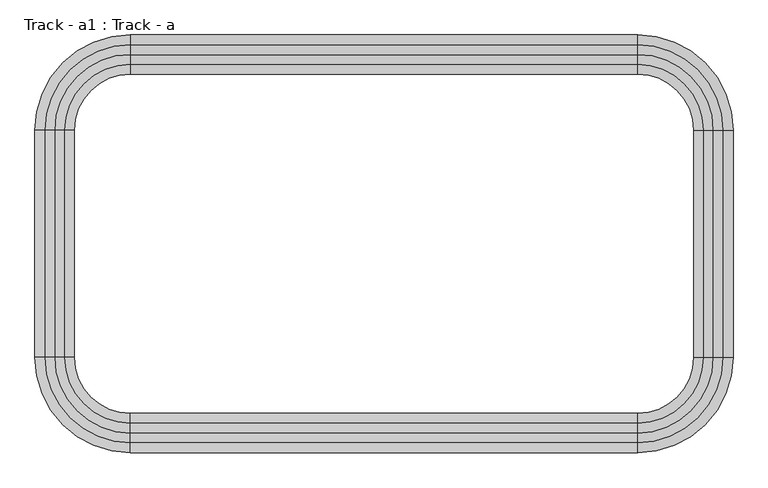
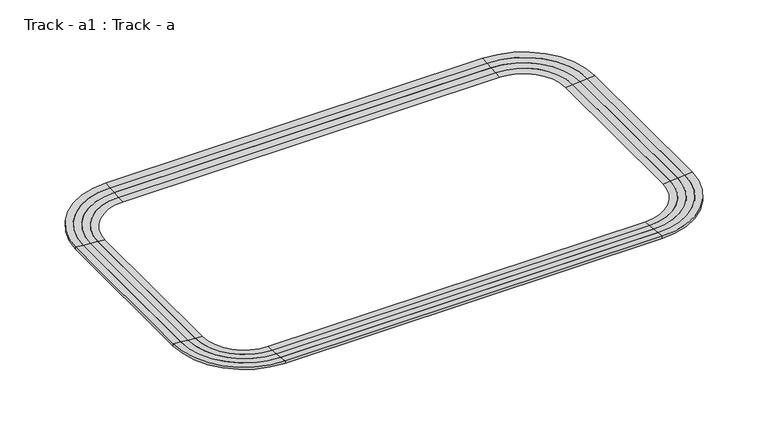
"""IFC4 building model written with IfcOpenShell, lengths in millimetres: proxy geometry, Track - a1 : Track - a."""

from ifc_helpers import new_model, si_unit, frame, origin, place, context, project, spatial, polyline, circle_curve, source, transform, mapped, element, save
from ifc_brep_helpers import plane_surface, cylinder_surface, revolved_surface, advanced_brep


def track_a1_track_a_e5af6ace(model_context):
    return source(origin(), model_context, "Body", "AdvancedBrep", [
        advanced_brep(
        [(468472.6254676, -273685.8080223, 4775.2), (458109.4254676, -263322.6080223, 4775.2), (458109.4254676, -264389.4080223, 4686.3), (467405.8254676, -273685.8080223, 4686.3), (468472.6254676, -273685.8080223, 4419.6), (458109.4254676, -263322.6080223, 4419.6), (458109.4254676, -264389.4080223, 4419.6), (467405.8254676, -273685.8080223, 4419.6), (467405.8254676, -298374.6080223, 4686.3), (468472.6254676, -298374.6080223, 4775.2), (468472.6254676, -298374.6080223, 4419.6), (467405.8254676, -298374.6080223, 4419.6), (458109.4254676, -308737.8080223, 4775.2), (458109.4254676, -307671.0080223, 4686.3), (458109.4254676, -308737.8080223, 4419.6), (458109.4254676, -307671.0080223, 4419.6), (402940.6254676, -307671.0080223, 4686.3), (402940.6254676, -308737.8080223, 4775.2), (402940.6254676, -308737.8080223, 4419.6), (402940.6254676, -307671.0080223, 4419.6), (392577.4254676, -298374.6080223, 4775.2), (393644.2254676, -298374.6080223, 4686.3), (392577.4254676, -298374.6080223, 4419.6), (393644.2254676, -298374.6080223, 4419.6), (393644.2254676, -273685.8080223, 4686.3), (392577.4254676, -273685.8080223, 4775.2), (392577.4254676, -273685.8080223, 4419.6), (393644.2254676, -273685.8080223, 4419.6), (402940.6254676, -263322.6080223, 4775.2), (402940.6254676, -264389.4080223, 4686.3), (402940.6254676, -263322.6080223, 4419.6), (402940.6254676, -264389.4080223, 4419.6)],
        [
            (0, 1, circle_curve(frame((458109.4254676, -273685.8080223, 4775.2), z_axis=(0.0, 0.0, 1.0), x_axis=(0.0, 1.0, 0.0)), 10363.2)),
            (1, 2),
            (2, 3, circle_curve(frame((458109.4254676, -273685.8080223, 4686.3), z_axis=(0.0, 0.0, -1.0), x_axis=(0.0, 1.0, 0.0)), 9296.4)),
            (3, 0),
            (4, 5, circle_curve(frame((458109.4254676, -273685.8080223, 4419.6), z_axis=(0.0, 0.0, 1.0), x_axis=(0.0, 1.0, 0.0)), 10363.2)),
            (5, 1),
            (0, 4),
            (2, 6),
            (6, 7, circle_curve(frame((458109.4254676, -273685.8080223, 4419.6), z_axis=(0.0, 0.0, -1.0), x_axis=(0.0, 1.0, 0.0)), 9296.4)),
            (7, 3),
            (3, 8),
            (8, 9),
            (9, 0),
            (9, 10),
            (10, 4),
            (7, 11),
            (11, 8),
            (12, 9, circle_curve(frame((458109.4254676, -298374.6080223, 4775.2), z_axis=(0.0, 0.0, 1.0), x_axis=(1.0, 0.0, 0.0)), 10363.2)),
            (8, 13, circle_curve(frame((458109.4254676, -298374.6080223, 4686.3), z_axis=(0.0, 0.0, -1.0), x_axis=(1.0, 0.0, 0.0)), 9296.4)),
            (13, 12),
            (14, 10, circle_curve(frame((458109.4254676, -298374.6080223, 4419.6), z_axis=(0.0, 0.0, 1.0), x_axis=(1.0, 0.0, 0.0)), 10363.2)),
            (12, 14),
            (11, 15, circle_curve(frame((458109.4254676, -298374.6080223, 4419.6), z_axis=(0.0, 0.0, -1.0), x_axis=(1.0, 0.0, 0.0)), 9296.4)),
            (15, 13),
            (13, 16),
            (16, 17),
            (17, 12),
            (17, 18),
            (18, 14),
            (15, 19),
            (19, 16),
            (20, 17, circle_curve(frame((402940.6254676, -298374.6080223, 4775.2), z_axis=(0.0, 0.0, 1.0), x_axis=(0.0, -1.0, 0.0)), 10363.2)),
            (16, 21, circle_curve(frame((402940.6254676, -298374.6080223, 4686.3), z_axis=(0.0, 0.0, -1.0), x_axis=(0.0, -1.0, 0.0)), 9296.4)),
            (21, 20),
            (22, 18, circle_curve(frame((402940.6254676, -298374.6080223, 4419.6), z_axis=(0.0, 0.0, 1.0), x_axis=(0.0, -1.0, 0.0)), 10363.2)),
            (20, 22),
            (19, 23, circle_curve(frame((402940.6254676, -298374.6080223, 4419.6), z_axis=(0.0, 0.0, -1.0), x_axis=(0.0, -1.0, 0.0)), 9296.4)),
            (23, 21),
            (21, 24),
            (24, 25),
            (25, 20),
            (25, 26),
            (26, 22),
            (23, 27),
            (27, 24),
            (28, 25, circle_curve(frame((402940.6254676, -273685.8080223, 4775.2), z_axis=(0.0, 0.0, 1.0), x_axis=(-1.0, 0.0, 0.0)), 10363.2)),
            (24, 29, circle_curve(frame((402940.6254676, -273685.8080223, 4686.3), z_axis=(0.0, 0.0, -1.0), x_axis=(-1.0, 0.0, 0.0)), 9296.4)),
            (29, 28),
            (30, 26, circle_curve(frame((402940.6254676, -273685.8080223, 4419.6), z_axis=(0.0, 0.0, 1.0), x_axis=(-1.0, 0.0, 0.0)), 10363.2)),
            (28, 30),
            (27, 31, circle_curve(frame((402940.6254676, -273685.8080223, 4419.6), z_axis=(0.0, 0.0, -1.0), x_axis=(-1.0, 0.0, 0.0)), 9296.4)),
            (31, 29),
            (29, 2),
            (1, 28),
            (5, 30),
            (6, 31),
        ],
        [
            revolved_surface(polyline([(458109.4254676, -264389.4080223, 4686.3), (458109.4254676, -263322.6080223, 4775.2)]), (458109.4254676, -273685.8080223, 0.0), (0.0, 0.0, -1.0)),
            cylinder_surface(frame((458109.4254676, -273685.8080223, 0.0), z_axis=(0.0, 0.0, -1.0), x_axis=(0.0, 1.0, 0.0)), 10363.2),
            revolved_surface(polyline([(458109.4254676, -264389.4080223, 4419.6), (458109.4254676, -264389.4080223, 4686.3)]), (458109.4254676, -273685.8080223, 0.0), (0.0, 0.0, -1.0)),
            plane_surface(frame((467405.8254676, -273685.8080223, 4686.3), z_axis=(-0.08304547985373159, 0.0, 0.9965457582448803), x_axis=(0.0, -1.0, 0.0))),
            plane_surface(frame((468472.6254676, -273685.8080223, 4775.2), z_axis=(1.0, 0.0, 0.0), x_axis=(0.0, -1.0, 0.0))),
            plane_surface(frame((467405.8254676, -273685.8080223, 4419.6), z_axis=(-1.0, 0.0, 0.0), x_axis=(0.0, -1.0, 0.0))),
            revolved_surface(polyline([(467405.8254676, -298374.6080223, 4686.3), (468472.6254676, -298374.6080223, 4775.2)]), (458109.4254676, -298374.6080223, 0.0), (0.0, 0.0, -1.0)),
            cylinder_surface(frame((458109.4254676, -298374.6080223, 0.0), z_axis=(0.0, 0.0, -1.0), x_axis=(1.0, 0.0, 0.0)), 10363.2),
            revolved_surface(polyline([(467405.8254676, -298374.6080223, 4419.6), (467405.8254676, -298374.6080223, 4686.3)]), (458109.4254676, -298374.6080223, 0.0), (0.0, 0.0, -1.0)),
            plane_surface(frame((458109.4254676, -307671.0080223, 4686.3), z_axis=(0.0, 0.08304547985373159, 0.9965457582448803), x_axis=(-1.0, 0.0, 0.0))),
            plane_surface(frame((458109.4254676, -308737.8080223, 4775.2), z_axis=(0.0, -1.0, 0.0), x_axis=(-1.0, 0.0, 0.0))),
            plane_surface(frame((458109.4254676, -307671.0080223, 4419.6), z_axis=(0.0, 1.0, 0.0), x_axis=(-1.0, 0.0, 0.0))),
            revolved_surface(polyline([(402940.6254676, -307671.0080223, 4686.3), (402940.6254676, -308737.8080223, 4775.2)]), (402940.6254676, -298374.6080223, 0.0), (0.0, 0.0, -1.0)),
            cylinder_surface(frame((402940.6254676, -298374.6080223, 0.0), z_axis=(0.0, 0.0, -1.0), x_axis=(0.0, -1.0, 0.0)), 10363.2),
            revolved_surface(polyline([(402940.6254676, -307671.0080223, 4419.6), (402940.6254676, -307671.0080223, 4686.3)]), (402940.6254676, -298374.6080223, 0.0), (0.0, 0.0, -1.0)),
            plane_surface(frame((393644.2254676, -298374.6080223, 4686.3), z_axis=(0.08304547985373159, 0.0, 0.9965457582448803), x_axis=(0.0, 1.0, 0.0))),
            plane_surface(frame((392577.4254676, -298374.6080223, 4775.2), z_axis=(-1.0, 0.0, 0.0), x_axis=(0.0, 1.0, 0.0))),
            plane_surface(frame((393644.2254676, -298374.6080223, 4419.6), z_axis=(1.0, 0.0, 0.0), x_axis=(0.0, 1.0, 0.0))),
            revolved_surface(polyline([(393644.2254676, -273685.8080223, 4686.3), (392577.4254676, -273685.8080223, 4775.2)]), (402940.6254676, -273685.8080223, 0.0), (0.0, 0.0, -1.0)),
            cylinder_surface(frame((402940.6254676, -273685.8080223, 0.0), z_axis=(0.0, 0.0, -1.0), x_axis=(-1.0, 0.0, 0.0)), 10363.2),
            revolved_surface(polyline([(393644.2254676, -273685.8080223, 4419.6), (393644.2254676, -273685.8080223, 4686.3)]), (402940.6254676, -273685.8080223, 0.0), (0.0, 0.0, -1.0)),
            plane_surface(frame((402940.6254676, -264389.4080223, 4686.3), z_axis=(0.0, -0.08304547985373159, 0.9965457582448803), x_axis=(1.0, 0.0, 0.0))),
            plane_surface(frame((402940.6254676, -263322.6080223, 4775.2), z_axis=(0.0, 1.0, 0.0), x_axis=(1.0, 0.0, 0.0))),
            plane_surface(frame((402940.6254676, -263322.6080223, 4419.6), z_axis=(0.0, 0.0, -1.0), x_axis=(1.0, 0.0, 0.0))),
            plane_surface(frame((402940.6254676, -264389.4080223, 4419.6), z_axis=(0.0, -1.0, 0.0), x_axis=(1.0, 0.0, 0.0))),
        ],
        [
            (0, [[1, 2, 3, 4]]),
            (1, [[5, 6, -1, 7]]),
            (2, [[-3, 8, 9, 10]]),
            (3, [[-4, 11, 12, 13]]),
            (4, [[-7, -13, 14, 15]]),
            (5, [[-10, 16, 17, -11]]),
            (6, [[18, -12, 19, 20]]),
            (7, [[21, -14, -18, 22]]),
            (8, [[-19, -17, 23, 24]]),
            (9, [[-20, 25, 26, 27]]),
            (10, [[-22, -27, 28, 29]]),
            (11, [[-24, 30, 31, -25]]),
            (12, [[32, -26, 33, 34]]),
            (13, [[35, -28, -32, 36]]),
            (14, [[-33, -31, 37, 38]]),
            (15, [[-34, 39, 40, 41]]),
            (16, [[-36, -41, 42, 43]]),
            (17, [[-38, 44, 45, -39]]),
            (18, [[46, -40, 47, 48]]),
            (19, [[49, -42, -46, 50]]),
            (20, [[-47, -45, 51, 52]]),
            (21, [[-48, 53, -2, 54]]),
            (22, [[-50, -54, -6, 55]]),
            (23, [[-43, -49, -55, -5, -15, -21, -29, -35], [56, -51, -44, -37, -30, -23, -16, -9]]),
            (24, [[-52, -56, -8, -53]]),
        ],
    ),
        advanced_brep(
        [(467405.8254676, -273685.8080223, 4686.3), (458109.4254676, -264389.4080223, 4686.3), (458109.4254676, -265456.2080223, 4597.4), (466339.0254676, -273685.8080223, 4597.4), (467405.8254676, -273685.8080223, 4419.6), (458109.4254676, -264389.4080223, 4419.6), (458109.4254676, -265456.2080223, 4419.6), (466339.0254676, -273685.8080223, 4419.6), (466339.0254676, -298374.6080223, 4597.4), (467405.8254676, -298374.6080223, 4686.3), (467405.8254676, -298374.6080223, 4419.6), (466339.0254676, -298374.6080223, 4419.6), (458109.4254676, -307671.0080223, 4686.3), (458109.4254676, -306604.2080223, 4597.4), (458109.4254676, -307671.0080223, 4419.6), (458109.4254676, -306604.2080223, 4419.6), (402940.6254676, -306604.2080223, 4597.4), (402940.6254676, -307671.0080223, 4686.3), (402940.6254676, -307671.0080223, 4419.6), (402940.6254676, -306604.2080223, 4419.6), (393644.2254676, -298374.6080223, 4686.3), (394711.0254676, -298374.6080223, 4597.4), (393644.2254676, -298374.6080223, 4419.6), (394711.0254676, -298374.6080223, 4419.6), (394711.0254676, -273685.8080223, 4597.4), (393644.2254676, -273685.8080223, 4686.3), (393644.2254676, -273685.8080223, 4419.6), (394711.0254676, -273685.8080223, 4419.6), (402940.6254676, -264389.4080223, 4686.3), (402940.6254676, -265456.2080223, 4597.4), (402940.6254676, -264389.4080223, 4419.6), (402940.6254676, -265456.2080223, 4419.6)],
        [
            (0, 1, circle_curve(frame((458109.4254676, -273685.8080223, 4686.3), z_axis=(0.0, 0.0, 1.0), x_axis=(0.0, 1.0, 0.0)), 9296.4)),
            (1, 2),
            (2, 3, circle_curve(frame((458109.4254676, -273685.8080223, 4597.4), z_axis=(0.0, 0.0, -1.0), x_axis=(0.0, 1.0, 0.0)), 8229.6)),
            (3, 0),
            (4, 5, circle_curve(frame((458109.4254676, -273685.8080223, 4419.6), z_axis=(0.0, 0.0, 1.0), x_axis=(0.0, 1.0, 0.0)), 9296.4)),
            (5, 1),
            (0, 4),
            (2, 6),
            (6, 7, circle_curve(frame((458109.4254676, -273685.8080223, 4419.6), z_axis=(0.0, 0.0, -1.0), x_axis=(0.0, 1.0, 0.0)), 8229.6)),
            (7, 3),
            (3, 8),
            (8, 9),
            (9, 0),
            (9, 10),
            (10, 4),
            (7, 11),
            (11, 8),
            (12, 9, circle_curve(frame((458109.4254676, -298374.6080223, 4686.3), z_axis=(0.0, 0.0, 1.0), x_axis=(1.0, 0.0, 0.0)), 9296.4)),
            (8, 13, circle_curve(frame((458109.4254676, -298374.6080223, 4597.4), z_axis=(0.0, 0.0, -1.0), x_axis=(1.0, 0.0, 0.0)), 8229.6)),
            (13, 12),
            (14, 10, circle_curve(frame((458109.4254676, -298374.6080223, 4419.6), z_axis=(0.0, 0.0, 1.0), x_axis=(1.0, 0.0, 0.0)), 9296.4)),
            (12, 14),
            (11, 15, circle_curve(frame((458109.4254676, -298374.6080223, 4419.6), z_axis=(0.0, 0.0, -1.0), x_axis=(1.0, 0.0, 0.0)), 8229.6)),
            (15, 13),
            (13, 16),
            (16, 17),
            (17, 12),
            (17, 18),
            (18, 14),
            (15, 19),
            (19, 16),
            (20, 17, circle_curve(frame((402940.6254676, -298374.6080223, 4686.3), z_axis=(0.0, 0.0, 1.0), x_axis=(0.0, -1.0, 0.0)), 9296.4)),
            (16, 21, circle_curve(frame((402940.6254676, -298374.6080223, 4597.4), z_axis=(0.0, 0.0, -1.0), x_axis=(0.0, -1.0, 0.0)), 8229.6)),
            (21, 20),
            (22, 18, circle_curve(frame((402940.6254676, -298374.6080223, 4419.6), z_axis=(0.0, 0.0, 1.0), x_axis=(0.0, -1.0, 0.0)), 9296.4)),
            (20, 22),
            (19, 23, circle_curve(frame((402940.6254676, -298374.6080223, 4419.6), z_axis=(0.0, 0.0, -1.0), x_axis=(0.0, -1.0, 0.0)), 8229.6)),
            (23, 21),
            (21, 24),
            (24, 25),
            (25, 20),
            (25, 26),
            (26, 22),
            (23, 27),
            (27, 24),
            (28, 25, circle_curve(frame((402940.6254676, -273685.8080223, 4686.3), z_axis=(0.0, 0.0, 1.0), x_axis=(-1.0, 0.0, 0.0)), 9296.4)),
            (24, 29, circle_curve(frame((402940.6254676, -273685.8080223, 4597.4), z_axis=(0.0, 0.0, -1.0), x_axis=(-1.0, 0.0, 0.0)), 8229.6)),
            (29, 28),
            (30, 26, circle_curve(frame((402940.6254676, -273685.8080223, 4419.6), z_axis=(0.0, 0.0, 1.0), x_axis=(-1.0, 0.0, 0.0)), 9296.4)),
            (28, 30),
            (27, 31, circle_curve(frame((402940.6254676, -273685.8080223, 4419.6), z_axis=(0.0, 0.0, -1.0), x_axis=(-1.0, 0.0, 0.0)), 8229.6)),
            (31, 29),
            (29, 2),
            (1, 28),
            (5, 30),
            (6, 31),
        ],
        [
            revolved_surface(polyline([(458109.4254676, -265456.2080223, 4597.4), (458109.4254676, -264389.4080223, 4686.3)]), (458109.4254676, -273685.8080223, 0.0), (0.0, 0.0, -1.0)),
            cylinder_surface(frame((458109.4254676, -273685.8080223, 0.0), z_axis=(0.0, 0.0, -1.0), x_axis=(0.0, 1.0, 0.0)), 9296.4),
            revolved_surface(polyline([(458109.4254676, -265456.20802230004, 4419.6), (458109.4254676, -265456.20802230004, 4597.4)]), (458109.4254676, -273685.8080223, 0.0), (0.0, 0.0, -1.0)),
            plane_surface(frame((466339.0254676, -273685.8080223, 4597.4), z_axis=(-0.08304547985373473, 0.0, 0.9965457582448801), x_axis=(0.0, -1.0, 0.0))),
            plane_surface(frame((467405.8254676, -273685.8080223, 4686.3), z_axis=(1.0, 0.0, 0.0), x_axis=(0.0, -1.0, 0.0))),
            plane_surface(frame((466339.0254676, -273685.8080223, 4419.6), z_axis=(-1.0, 0.0, 0.0), x_axis=(0.0, -1.0, 0.0))),
            revolved_surface(polyline([(466339.0254676, -298374.6080223, 4597.4), (467405.8254676, -298374.6080223, 4686.3)]), (458109.4254676, -298374.6080223, 0.0), (0.0, 0.0, -1.0)),
            cylinder_surface(frame((458109.4254676, -298374.6080223, 0.0), z_axis=(0.0, 0.0, -1.0), x_axis=(1.0, 0.0, 0.0)), 9296.4),
            revolved_surface(polyline([(466339.0254676, -298374.6080223, 4419.6), (466339.0254676, -298374.6080223, 4597.4)]), (458109.4254676, -298374.6080223, 0.0), (0.0, 0.0, -1.0)),
            plane_surface(frame((458109.4254676, -306604.2080223, 4597.4), z_axis=(0.0, 0.08304547985373473, 0.9965457582448801), x_axis=(-1.0, 0.0, 0.0))),
            plane_surface(frame((458109.4254676, -307671.0080223, 4686.3), z_axis=(0.0, -1.0, 0.0), x_axis=(-1.0, 0.0, 0.0))),
            plane_surface(frame((458109.4254676, -306604.2080223, 4419.6), z_axis=(0.0, 1.0, 0.0), x_axis=(-1.0, 0.0, 0.0))),
            revolved_surface(polyline([(402940.6254676, -306604.2080223, 4597.4), (402940.6254676, -307671.0080223, 4686.3)]), (402940.6254676, -298374.6080223, 0.0), (0.0, 0.0, -1.0)),
            cylinder_surface(frame((402940.6254676, -298374.6080223, 0.0), z_axis=(0.0, 0.0, -1.0), x_axis=(0.0, -1.0, 0.0)), 9296.4),
            revolved_surface(polyline([(402940.6254676, -306604.2080223, 4419.6), (402940.6254676, -306604.2080223, 4597.4)]), (402940.6254676, -298374.6080223, 0.0), (0.0, 0.0, -1.0)),
            plane_surface(frame((394711.0254676, -298374.6080223, 4597.4), z_axis=(0.08304547985373473, 0.0, 0.9965457582448801), x_axis=(0.0, 1.0, 0.0))),
            plane_surface(frame((393644.2254676, -298374.6080223, 4686.3), z_axis=(-1.0, 0.0, 0.0), x_axis=(0.0, 1.0, 0.0))),
            plane_surface(frame((394711.0254676, -298374.6080223, 4419.6), z_axis=(1.0, 0.0, 0.0), x_axis=(0.0, 1.0, 0.0))),
            revolved_surface(polyline([(394711.0254676, -273685.8080223, 4597.4), (393644.2254676, -273685.8080223, 4686.3)]), (402940.6254676, -273685.8080223, 0.0), (0.0, 0.0, -1.0)),
            cylinder_surface(frame((402940.6254676, -273685.8080223, 0.0), z_axis=(0.0, 0.0, -1.0), x_axis=(-1.0, 0.0, 0.0)), 9296.4),
            revolved_surface(polyline([(394711.02546760003, -273685.8080223, 4419.6), (394711.02546760003, -273685.8080223, 4597.4)]), (402940.6254676, -273685.8080223, 0.0), (0.0, 0.0, -1.0)),
            plane_surface(frame((402940.6254676, -265456.2080223, 4597.4), z_axis=(0.0, -0.08304547985373473, 0.9965457582448801), x_axis=(1.0, 0.0, 0.0))),
            plane_surface(frame((402940.6254676, -264389.4080223, 4686.3), z_axis=(0.0, 1.0, 0.0), x_axis=(1.0, 0.0, 0.0))),
            plane_surface(frame((402940.6254676, -264389.4080223, 4419.6), z_axis=(0.0, 0.0, -1.0), x_axis=(1.0, 0.0, 0.0))),
            plane_surface(frame((402940.6254676, -265456.2080223, 4419.6), z_axis=(0.0, -1.0, 0.0), x_axis=(1.0, 0.0, 0.0))),
        ],
        [
            (0, [[1, 2, 3, 4]]),
            (1, [[5, 6, -1, 7]]),
            (2, [[-3, 8, 9, 10]]),
            (3, [[-4, 11, 12, 13]]),
            (4, [[-7, -13, 14, 15]]),
            (5, [[-10, 16, 17, -11]]),
            (6, [[18, -12, 19, 20]]),
            (7, [[21, -14, -18, 22]]),
            (8, [[-19, -17, 23, 24]]),
            (9, [[-20, 25, 26, 27]]),
            (10, [[-22, -27, 28, 29]]),
            (11, [[-24, 30, 31, -25]]),
            (12, [[32, -26, 33, 34]]),
            (13, [[35, -28, -32, 36]]),
            (14, [[-33, -31, 37, 38]]),
            (15, [[-34, 39, 40, 41]]),
            (16, [[-36, -41, 42, 43]]),
            (17, [[-38, 44, 45, -39]]),
            (18, [[46, -40, 47, 48]]),
            (19, [[49, -42, -46, 50]]),
            (20, [[-47, -45, 51, 52]]),
            (21, [[-48, 53, -2, 54]]),
            (22, [[-50, -54, -6, 55]]),
            (23, [[-43, -49, -55, -5, -15, -21, -29, -35], [56, -51, -44, -37, -30, -23, -16, -9]]),
            (24, [[-52, -56, -8, -53]]),
        ],
    ),
        advanced_brep(
        [(466339.0254676, -273685.8080223, 4597.4), (458109.4254676, -265456.2080223, 4597.4), (458109.4254676, -266523.0080223, 4508.5), (465272.2254676, -273685.8080223, 4508.5), (466339.0254676, -273685.8080223, 4419.6), (458109.4254676, -265456.2080223, 4419.6), (458109.4254676, -266523.0080223, 4419.6), (465272.2254676, -273685.8080223, 4419.6), (465272.2254676, -298374.6080223, 4508.5), (466339.0254676, -298374.6080223, 4597.4), (466339.0254676, -298374.6080223, 4419.6), (465272.2254676, -298374.6080223, 4419.6), (458109.4254676, -306604.2080223, 4597.4), (458109.4254676, -305537.4080223, 4508.5), (458109.4254676, -306604.2080223, 4419.6), (458109.4254676, -305537.4080223, 4419.6), (402940.6254676, -305537.4080223, 4508.5), (402940.6254676, -306604.2080223, 4597.4), (402940.6254676, -306604.2080223, 4419.6), (402940.6254676, -305537.4080223, 4419.6), (394711.0254676, -298374.6080223, 4597.4), (395777.8254676, -298374.6080223, 4508.5), (394711.0254676, -298374.6080223, 4419.6), (395777.8254676, -298374.6080223, 4419.6), (395777.8254676, -273685.8080223, 4508.5), (394711.0254676, -273685.8080223, 4597.4), (394711.0254676, -273685.8080223, 4419.6), (395777.8254676, -273685.8080223, 4419.6), (402940.6254676, -265456.2080223, 4597.4), (402940.6254676, -266523.0080223, 4508.5), (402940.6254676, -265456.2080223, 4419.6), (402940.6254676, -266523.0080223, 4419.6)],
        [
            (0, 1, circle_curve(frame((458109.4254676, -273685.8080223, 4597.4), z_axis=(0.0, 0.0, 1.0), x_axis=(0.0, 1.0, 0.0)), 8229.6)),
            (1, 2),
            (2, 3, circle_curve(frame((458109.4254676, -273685.8080223, 4508.5), z_axis=(0.0, 0.0, -1.0), x_axis=(0.0, 1.0, 0.0)), 7162.8)),
            (3, 0),
            (4, 5, circle_curve(frame((458109.4254676, -273685.8080223, 4419.6), z_axis=(0.0, 0.0, 1.0), x_axis=(0.0, 1.0, 0.0)), 8229.6)),
            (5, 1),
            (0, 4),
            (2, 6),
            (6, 7, circle_curve(frame((458109.4254676, -273685.8080223, 4419.6), z_axis=(0.0, 0.0, -1.0), x_axis=(0.0, 1.0, 0.0)), 7162.8)),
            (7, 3),
            (3, 8),
            (8, 9),
            (9, 0),
            (9, 10),
            (10, 4),
            (7, 11),
            (11, 8),
            (12, 9, circle_curve(frame((458109.4254676, -298374.6080223, 4597.4), z_axis=(0.0, 0.0, 1.0), x_axis=(1.0, 0.0, 0.0)), 8229.6)),
            (8, 13, circle_curve(frame((458109.4254676, -298374.6080223, 4508.5), z_axis=(0.0, 0.0, -1.0), x_axis=(1.0, 0.0, 0.0)), 7162.8)),
            (13, 12),
            (14, 10, circle_curve(frame((458109.4254676, -298374.6080223, 4419.6), z_axis=(0.0, 0.0, 1.0), x_axis=(1.0, 0.0, 0.0)), 8229.6)),
            (12, 14),
            (11, 15, circle_curve(frame((458109.4254676, -298374.6080223, 4419.6), z_axis=(0.0, 0.0, -1.0), x_axis=(1.0, 0.0, 0.0)), 7162.8)),
            (15, 13),
            (13, 16),
            (16, 17),
            (17, 12),
            (17, 18),
            (18, 14),
            (15, 19),
            (19, 16),
            (20, 17, circle_curve(frame((402940.6254676, -298374.6080223, 4597.4), z_axis=(0.0, 0.0, 1.0), x_axis=(0.0, -1.0, 0.0)), 8229.6)),
            (16, 21, circle_curve(frame((402940.6254676, -298374.6080223, 4508.5), z_axis=(0.0, 0.0, -1.0), x_axis=(0.0, -1.0, 0.0)), 7162.8)),
            (21, 20),
            (22, 18, circle_curve(frame((402940.6254676, -298374.6080223, 4419.6), z_axis=(0.0, 0.0, 1.0), x_axis=(0.0, -1.0, 0.0)), 8229.6)),
            (20, 22),
            (19, 23, circle_curve(frame((402940.6254676, -298374.6080223, 4419.6), z_axis=(0.0, 0.0, -1.0), x_axis=(0.0, -1.0, 0.0)), 7162.8)),
            (23, 21),
            (21, 24),
            (24, 25),
            (25, 20),
            (25, 26),
            (26, 22),
            (23, 27),
            (27, 24),
            (28, 25, circle_curve(frame((402940.6254676, -273685.8080223, 4597.4), z_axis=(0.0, 0.0, 1.0), x_axis=(-1.0, 0.0, 0.0)), 8229.6)),
            (24, 29, circle_curve(frame((402940.6254676, -273685.8080223, 4508.5), z_axis=(0.0, 0.0, -1.0), x_axis=(-1.0, 0.0, 0.0)), 7162.8)),
            (29, 28),
            (30, 26, circle_curve(frame((402940.6254676, -273685.8080223, 4419.6), z_axis=(0.0, 0.0, 1.0), x_axis=(-1.0, 0.0, 0.0)), 8229.6)),
            (28, 30),
            (27, 31, circle_curve(frame((402940.6254676, -273685.8080223, 4419.6), z_axis=(0.0, 0.0, -1.0), x_axis=(-1.0, 0.0, 0.0)), 7162.8)),
            (31, 29),
            (29, 2),
            (1, 28),
            (5, 30),
            (6, 31),
        ],
        [
            revolved_surface(polyline([(458109.4254676, -266523.0080223, 4508.5), (458109.4254676, -265456.2080223, 4597.4)]), (458109.4254676, -273685.8080223, 0.0), (0.0, 0.0, -1.0)),
            cylinder_surface(frame((458109.4254676, -273685.8080223, 0.0), z_axis=(0.0, 0.0, -1.0), x_axis=(0.0, 1.0, 0.0)), 8229.6),
            revolved_surface(polyline([(458109.4254676, -266523.0080223, 4419.6), (458109.4254676, -266523.0080223, 4508.5)]), (458109.4254676, -273685.8080223, 0.0), (0.0, 0.0, -1.0)),
            plane_surface(frame((465272.2254676, -273685.8080223, 4508.5), z_axis=(-0.0830454798537369, 0.0, 0.9965457582448799), x_axis=(0.0, -1.0, 0.0))),
            plane_surface(frame((466339.0254676, -273685.8080223, 4597.4), z_axis=(1.0, 0.0, 0.0), x_axis=(0.0, -1.0, 0.0))),
            plane_surface(frame((465272.2254676, -273685.8080223, 4419.6), z_axis=(-1.0, 0.0, 0.0), x_axis=(0.0, -1.0, 0.0))),
            revolved_surface(polyline([(465272.2254676, -298374.6080223, 4508.5), (466339.0254676, -298374.6080223, 4597.4)]), (458109.4254676, -298374.6080223, 0.0), (0.0, 0.0, -1.0)),
            cylinder_surface(frame((458109.4254676, -298374.6080223, 0.0), z_axis=(0.0, 0.0, -1.0), x_axis=(1.0, 0.0, 0.0)), 8229.6),
            revolved_surface(polyline([(465272.2254676, -298374.6080223, 4419.6), (465272.2254676, -298374.6080223, 4508.5)]), (458109.4254676, -298374.6080223, 0.0), (0.0, 0.0, -1.0)),
            plane_surface(frame((458109.4254676, -305537.4080223, 4508.5), z_axis=(0.0, 0.0830454798537369, 0.9965457582448799), x_axis=(-1.0, 0.0, 0.0))),
            plane_surface(frame((458109.4254676, -306604.2080223, 4597.4), z_axis=(0.0, -1.0, 0.0), x_axis=(-1.0, 0.0, 0.0))),
            plane_surface(frame((458109.4254676, -305537.4080223, 4419.6), z_axis=(0.0, 1.0, 0.0), x_axis=(-1.0, 0.0, 0.0))),
            revolved_surface(polyline([(402940.6254676, -305537.4080223, 4508.5), (402940.6254676, -306604.2080223, 4597.4)]), (402940.6254676, -298374.6080223, 0.0), (0.0, 0.0, -1.0)),
            cylinder_surface(frame((402940.6254676, -298374.6080223, 0.0), z_axis=(0.0, 0.0, -1.0), x_axis=(0.0, -1.0, 0.0)), 8229.6),
            revolved_surface(polyline([(402940.6254676, -305537.4080223, 4419.6), (402940.6254676, -305537.4080223, 4508.5)]), (402940.6254676, -298374.6080223, 0.0), (0.0, 0.0, -1.0)),
            plane_surface(frame((395777.8254676, -298374.6080223, 4508.5), z_axis=(0.0830454798537369, 0.0, 0.9965457582448799), x_axis=(0.0, 1.0, 0.0))),
            plane_surface(frame((394711.0254676, -298374.6080223, 4597.4), z_axis=(-1.0, 0.0, 0.0), x_axis=(0.0, 1.0, 0.0))),
            plane_surface(frame((395777.8254676, -298374.6080223, 4419.6), z_axis=(1.0, 0.0, 0.0), x_axis=(0.0, 1.0, 0.0))),
            revolved_surface(polyline([(395777.8254676, -273685.8080223, 4508.5), (394711.0254676, -273685.8080223, 4597.4)]), (402940.6254676, -273685.8080223, 0.0), (0.0, 0.0, -1.0)),
            cylinder_surface(frame((402940.6254676, -273685.8080223, 0.0), z_axis=(0.0, 0.0, -1.0), x_axis=(-1.0, 0.0, 0.0)), 8229.6),
            revolved_surface(polyline([(395777.8254676, -273685.8080223, 4419.6), (395777.8254676, -273685.8080223, 4508.5)]), (402940.6254676, -273685.8080223, 0.0), (0.0, 0.0, -1.0)),
            plane_surface(frame((402940.6254676, -266523.0080223, 4508.5), z_axis=(0.0, -0.0830454798537369, 0.9965457582448799), x_axis=(1.0, 0.0, 0.0))),
            plane_surface(frame((402940.6254676, -265456.2080223, 4597.4), z_axis=(0.0, 1.0, 0.0), x_axis=(1.0, 0.0, 0.0))),
            plane_surface(frame((402940.6254676, -265456.2080223, 4419.6), z_axis=(0.0, 0.0, -1.0), x_axis=(1.0, 0.0, 0.0))),
            plane_surface(frame((402940.6254676, -266523.0080223, 4419.6), z_axis=(0.0, -1.0, 0.0), x_axis=(1.0, 0.0, 0.0))),
        ],
        [
            (0, [[1, 2, 3, 4]]),
            (1, [[5, 6, -1, 7]]),
            (2, [[-3, 8, 9, 10]]),
            (3, [[-4, 11, 12, 13]]),
            (4, [[-7, -13, 14, 15]]),
            (5, [[-10, 16, 17, -11]]),
            (6, [[18, -12, 19, 20]]),
            (7, [[21, -14, -18, 22]]),
            (8, [[-19, -17, 23, 24]]),
            (9, [[-20, 25, 26, 27]]),
            (10, [[-22, -27, 28, 29]]),
            (11, [[-24, 30, 31, -25]]),
            (12, [[32, -26, 33, 34]]),
            (13, [[35, -28, -32, 36]]),
            (14, [[-33, -31, 37, 38]]),
            (15, [[-34, 39, 40, 41]]),
            (16, [[-36, -41, 42, 43]]),
            (17, [[-38, 44, 45, -39]]),
            (18, [[46, -40, 47, 48]]),
            (19, [[49, -42, -46, 50]]),
            (20, [[-47, -45, 51, 52]]),
            (21, [[-48, 53, -2, 54]]),
            (22, [[-50, -54, -6, 55]]),
            (23, [[-43, -49, -55, -5, -15, -21, -29, -35], [56, -51, -44, -37, -30, -23, -16, -9]]),
            (24, [[-52, -56, -8, -53]]),
        ],
    ),
        advanced_brep(
        [(465272.2254676, -273685.8080223, 4508.5), (458109.4254676, -266523.0080223, 4508.5), (458109.4254676, -267589.8080223, 4419.6), (464205.4254676, -273685.8080223, 4419.6), (465272.2254676, -273685.8080223, 4419.6), (458109.4254676, -266523.0080223, 4419.6), (464205.4254676, -298374.6080223, 4419.6), (465272.2254676, -298374.6080223, 4508.5), (465272.2254676, -298374.6080223, 4419.6), (458109.4254676, -305537.4080223, 4508.5), (458109.4254676, -304470.6080223, 4419.6), (458109.4254676, -305537.4080223, 4419.6), (402940.6254676, -304470.6080223, 4419.6), (402940.6254676, -305537.4080223, 4508.5), (402940.6254676, -305537.4080223, 4419.6), (395777.8254676, -298374.6080223, 4508.5), (396844.6254676, -298374.6080223, 4419.6), (395777.8254676, -298374.6080223, 4419.6), (396844.6254676, -273685.8080223, 4419.6), (395777.8254676, -273685.8080223, 4508.5), (395777.8254676, -273685.8080223, 4419.6), (402940.6254676, -266523.0080223, 4508.5), (402940.6254676, -267589.8080223, 4419.6), (402940.6254676, -266523.0080223, 4419.6)],
        [
            (0, 1, circle_curve(frame((458109.4254676, -273685.8080223, 4508.5), z_axis=(0.0, 0.0, 1.0), x_axis=(0.0, 1.0, 0.0)), 7162.8)),
            (1, 2),
            (2, 3, circle_curve(frame((458109.4254676, -273685.8080223, 4419.6), z_axis=(0.0, 0.0, -1.0), x_axis=(0.0, 1.0, 0.0)), 6096.0)),
            (3, 0),
            (4, 5, circle_curve(frame((458109.4254676, -273685.8080223, 4419.6), z_axis=(0.0, 0.0, 1.0), x_axis=(0.0, 1.0, 0.0)), 7162.8)),
            (5, 1),
            (0, 4),
            (3, 6),
            (6, 7),
            (7, 0),
            (7, 8),
            (8, 4),
            (9, 7, circle_curve(frame((458109.4254676, -298374.6080223, 4508.5), z_axis=(0.0, 0.0, 1.0), x_axis=(1.0, 0.0, 0.0)), 7162.8)),
            (6, 10, circle_curve(frame((458109.4254676, -298374.6080223, 4419.6), z_axis=(0.0, 0.0, -1.0), x_axis=(1.0, 0.0, 0.0)), 6096.0)),
            (10, 9),
            (11, 8, circle_curve(frame((458109.4254676, -298374.6080223, 4419.6), z_axis=(0.0, 0.0, 1.0), x_axis=(1.0, 0.0, 0.0)), 7162.8)),
            (9, 11),
            (10, 12),
            (12, 13),
            (13, 9),
            (13, 14),
            (14, 11),
            (15, 13, circle_curve(frame((402940.6254676, -298374.6080223, 4508.5), z_axis=(0.0, 0.0, 1.0), x_axis=(0.0, -1.0, 0.0)), 7162.8)),
            (12, 16, circle_curve(frame((402940.6254676, -298374.6080223, 4419.6), z_axis=(0.0, 0.0, -1.0), x_axis=(0.0, -1.0, 0.0)), 6096.0)),
            (16, 15),
            (17, 14, circle_curve(frame((402940.6254676, -298374.6080223, 4419.6), z_axis=(0.0, 0.0, 1.0), x_axis=(0.0, -1.0, 0.0)), 7162.8)),
            (15, 17),
            (16, 18),
            (18, 19),
            (19, 15),
            (19, 20),
            (20, 17),
            (21, 19, circle_curve(frame((402940.6254676, -273685.8080223, 4508.5), z_axis=(0.0, 0.0, 1.0), x_axis=(-1.0, 0.0, 0.0)), 7162.8)),
            (18, 22, circle_curve(frame((402940.6254676, -273685.8080223, 4419.6), z_axis=(0.0, 0.0, -1.0), x_axis=(-1.0, 0.0, 0.0)), 6096.0)),
            (22, 21),
            (23, 20, circle_curve(frame((402940.6254676, -273685.8080223, 4419.6), z_axis=(0.0, 0.0, 1.0), x_axis=(-1.0, 0.0, 0.0)), 7162.8)),
            (21, 23),
            (23, 5),
            (2, 22),
            (1, 21),
        ],
        [
            revolved_surface(polyline([(458109.4254676, -267589.8080223, 4419.6), (458109.4254676, -266523.0080223, 4508.5)]), (458109.4254676, -273685.8080223, 0.0), (0.0, 0.0, -1.0)),
            cylinder_surface(frame((458109.4254676, -273685.8080223, 0.0), z_axis=(0.0, 0.0, -1.0), x_axis=(0.0, 1.0, 0.0)), 7162.8),
            plane_surface(frame((464205.4254676, -273685.8080223, 4419.6), z_axis=(-0.08304547985373992, 0.0, 0.9965457582448797), x_axis=(0.0, -1.0, 0.0))),
            plane_surface(frame((465272.2254676, -273685.8080223, 4508.5), z_axis=(1.0, 0.0, 0.0), x_axis=(0.0, -1.0, 0.0))),
            revolved_surface(polyline([(464205.4254676, -298374.6080223, 4419.6), (465272.2254676, -298374.6080223, 4508.5)]), (458109.4254676, -298374.6080223, 0.0), (0.0, 0.0, -1.0)),
            cylinder_surface(frame((458109.4254676, -298374.6080223, 0.0), z_axis=(0.0, 0.0, -1.0), x_axis=(1.0, 0.0, 0.0)), 7162.8),
            plane_surface(frame((458109.4254676, -304470.6080223, 4419.6), z_axis=(0.0, 0.08304547985373992, 0.9965457582448797), x_axis=(-1.0, 0.0, 0.0))),
            plane_surface(frame((458109.4254676, -305537.4080223, 4508.5), z_axis=(0.0, -1.0, 0.0), x_axis=(-1.0, 0.0, 0.0))),
            revolved_surface(polyline([(402940.6254676, -304470.6080223, 4419.6), (402940.6254676, -305537.4080223, 4508.5)]), (402940.6254676, -298374.6080223, 0.0), (0.0, 0.0, -1.0)),
            cylinder_surface(frame((402940.6254676, -298374.6080223, 0.0), z_axis=(0.0, 0.0, -1.0), x_axis=(0.0, -1.0, 0.0)), 7162.8),
            plane_surface(frame((396844.6254676, -298374.6080223, 4419.6), z_axis=(0.08304547985373992, 0.0, 0.9965457582448797), x_axis=(0.0, 1.0, 0.0))),
            plane_surface(frame((395777.8254676, -298374.6080223, 4508.5), z_axis=(-1.0, 0.0, 0.0), x_axis=(0.0, 1.0, 0.0))),
            revolved_surface(polyline([(396844.6254676, -273685.8080223, 4419.6), (395777.8254676, -273685.8080223, 4508.5)]), (402940.6254676, -273685.8080223, 0.0), (0.0, 0.0, -1.0)),
            cylinder_surface(frame((402940.6254676, -273685.8080223, 0.0), z_axis=(0.0, 0.0, -1.0), x_axis=(-1.0, 0.0, 0.0)), 7162.8),
            plane_surface(frame((402940.6254676, -266523.0080223, 4419.6), z_axis=(0.0, 0.0, -1.0), x_axis=(1.0, 0.0, 0.0))),
            plane_surface(frame((402940.6254676, -267589.8080223, 4419.6), z_axis=(0.0, -0.08304547985373992, 0.9965457582448797), x_axis=(1.0, 0.0, 0.0))),
            plane_surface(frame((402940.6254676, -266523.0080223, 4508.5), z_axis=(0.0, 1.0, 0.0), x_axis=(1.0, 0.0, 0.0))),
        ],
        [
            (0, [[1, 2, 3, 4]]),
            (1, [[5, 6, -1, 7]]),
            (2, [[-4, 8, 9, 10]]),
            (3, [[-7, -10, 11, 12]]),
            (4, [[13, -9, 14, 15]]),
            (5, [[16, -11, -13, 17]]),
            (6, [[-15, 18, 19, 20]]),
            (7, [[-17, -20, 21, 22]]),
            (8, [[23, -19, 24, 25]]),
            (9, [[26, -21, -23, 27]]),
            (10, [[-25, 28, 29, 30]]),
            (11, [[-27, -30, 31, 32]]),
            (12, [[33, -29, 34, 35]]),
            (13, [[36, -31, -33, 37]]),
            (14, [[-32, -36, 38, -5, -12, -16, -22, -26], [39, -34, -28, -24, -18, -14, -8, -3]]),
            (15, [[-35, -39, -2, 40]]),
            (16, [[-37, -40, -6, -38]]),
        ],
    ),
    ])


if __name__ == "__main__":
    model = new_model("IFC4")
    model_context = context("Model", 3, world=origin())
    ifc_project = project(units=[si_unit("LENGTHUNIT", "METRE", prefix="MILLI")], contexts=[model_context])
    site = spatial("IfcSite", under=ifc_project)
    building = spatial("IfcBuilding", under=site)
    placement = place(None, origin())
    track_a1_track_a_shape = track_a1_track_a_e5af6ace(model_context)
    element("IfcBuildingElementProxy", 1, Name="Track - a1 : Track - a", ObjectType="Track - a1 : Track - a", at=placement, inside=building, context=model_context, shape_type="MappedRepresentation", body=[
        mapped(track_a1_track_a_shape, transform((0.0, 0.0, 0.0), x_axis=(1.0, 0.0, 0.0), y_axis=(0.0, 1.0, 0.0), z_axis=(0.0, 0.0, 1.0))),
    ])
    save(model, "model.ifc")
